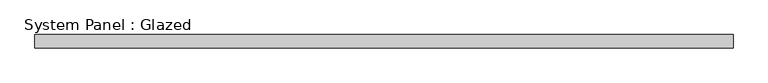
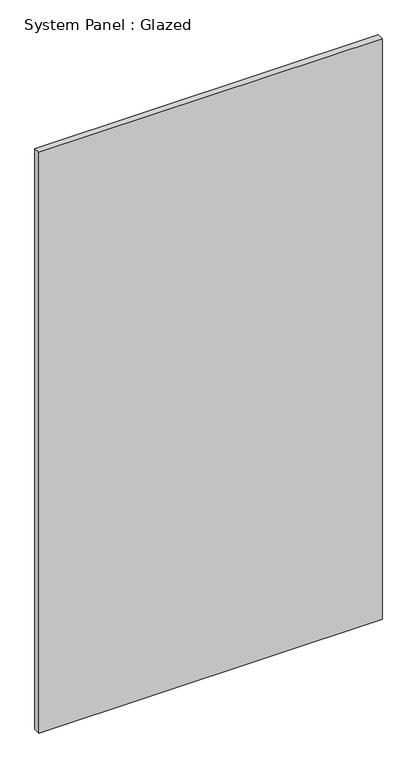
"""IFC4 building model written with IfcOpenShell, lengths in millimetres: plate geometry, System Panel : Glazed."""

from ifc_helpers import new_model, si_unit, origin, origin_with_axes, place, context, project, spatial, polyline, outline, extrude, source, transform, mapped, element, save


def system_panel_glazed_0156a93a(model_context):
    return source(origin(), model_context, "Body", "SweptSolid", [
        extrude(outline(polyline([(650.0, -49.5), (-650.0, -49.5), (-650.0, -24.5), (650.0, -24.5), (650.0, -49.5)])), origin_with_axes(), (0.0, 0.0, 1.0), 2325.0),
    ])


if __name__ == "__main__":
    model = new_model("IFC4")
    model_context = context("Model", 3, world=origin())
    ifc_project = project(units=[si_unit("LENGTHUNIT", "METRE", prefix="MILLI")], contexts=[model_context])
    site = spatial("IfcSite", under=ifc_project)
    building = spatial("IfcBuilding", under=site)
    placement = place(None, origin())
    system_panel_glazed_shape = system_panel_glazed_0156a93a(model_context)
    element("IfcPlate", 1, ObjectType="System Panel : Glazed", at=placement, inside=building, context=model_context, shape_type="MappedRepresentation", body=[
        mapped(system_panel_glazed_shape, transform((0.0, 0.0, 0.0), x_axis=(1.0, 0.0, 0.0), y_axis=(0.0, 1.0, 0.0), z_axis=(0.0, 0.0, 1.0))),
    ])
    save(model, "model.ifc")
